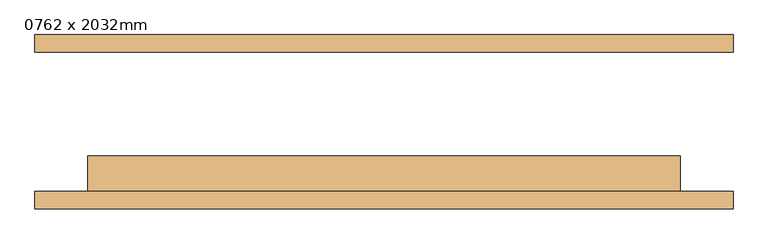
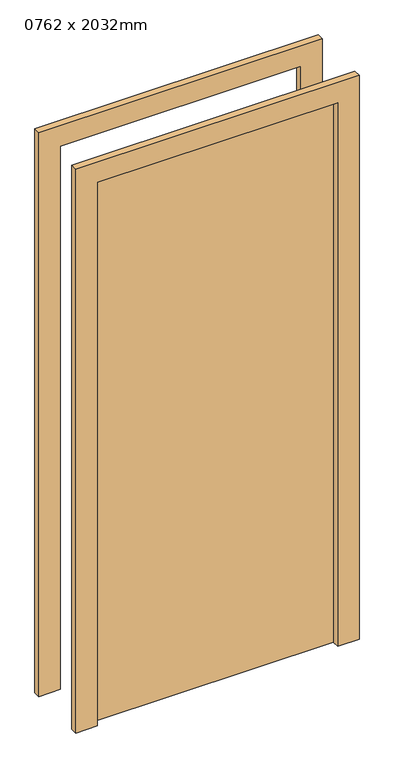
"""IFC4 building model written with IfcOpenShell, lengths in millimetres: door geometry, 0762 x 2032mm."""

import ifcopenshell
import ifcopenshell.guid

model = None  # the IFC model being written
_history = None  # IfcOwnerHistory: only IFC2X3 demands one
_inside = {}  # id of a spatial element -> (the spatial element, [elements in it])
_under = {}  # id of a project, library or spatial element -> (it, [spatial elements below it])
_declared = {}  # id of a project -> (the project, [libraries it declares])
_typed = {}  # id of a type object -> (the type object, [elements of that type])
_made_of = {}  # id of a material, layer set ... -> (it, [elements and type objects made of it])


def new_model(schema):
    """Start an empty IFC model of exactly this schema.

    Asked for "IFC4X3", IfcOpenShell would pick the latest addendum, in which some entities
    have other attributes; the version numbers below select the first issue.
    IFC2X3 requires an IfcOwnerHistory on every rooted entity: one is made here for all.
    """
    global model, _history
    if schema == "IFC4X3":
        model = ifcopenshell.file(schema_version=(4, 3, 0, 0))
    else:
        model = ifcopenshell.file(schema=schema)
    _inside.clear()
    _under.clear()
    _declared.clear()
    _typed.clear()
    _made_of.clear()
    _history = None
    if model.schema == "IFC2X3":
        org = make("IfcOrganization", Name="unknown")
        user = make(
            "IfcPersonAndOrganization",
            ThePerson=make("IfcPerson", FamilyName="unknown"),
            TheOrganization=org,
        )
        app = make(
            "IfcApplication",
            ApplicationDeveloper=org,
            Version="unknown",
            ApplicationFullName="unknown",
            ApplicationIdentifier="unknown",
        )
        _history = make(
            "IfcOwnerHistory",
            OwningUser=user,
            OwningApplication=app,
            ChangeAction="ADDED",
            CreationDate=0,
        )
    return model


def make(cls, **values):
    """One entity of the class cls with the attributes given. An attribute that is None is left unset."""
    return model.create_entity(
        cls, **{name: value for name, value in values.items() if value is not None}
    )


def rooted(cls, **values):
    """An entity with a GlobalId (a new one), such as an element, a storey or a relation."""
    return make(cls, GlobalId=ifcopenshell.guid.new(), OwnerHistory=_history, **values)


def si_unit(unit_type, name, prefix=None):
    """IfcSIUnit, for example si_unit("LENGTHUNIT", "METRE", prefix="MILLI")."""
    return make("IfcSIUnit", UnitType=unit_type, Prefix=prefix, Name=name)


def assignment(units):
    """IfcUnitAssignment: the units of a project."""
    return None if units is None else make("IfcUnitAssignment", Units=units)


def point(xyz):
    """IfcCartesianPoint."""
    return None if xyz is None else make("IfcCartesianPoint", Coordinates=xyz)


def direction(xyz):
    """IfcDirection."""
    return None if xyz is None else make("IfcDirection", DirectionRatios=xyz)


def frame(location, z_axis=None, x_axis=None):
    """IfcAxis2Placement3D, a coordinate frame: its origin and axes. An axis left out is left unset."""
    return make(
        "IfcAxis2Placement3D",
        Location=point(location),
        Axis=direction(z_axis),
        RefDirection=direction(x_axis),
    )


def origin():
    """The frame at (0, 0, 0) with its axes left unset."""
    return frame((0.0, 0.0, 0.0))


def origin_with_axes():
    """The frame at (0, 0, 0) with the z axis (0, 0, 1) and the x axis (1, 0, 0) written out."""
    return frame((0.0, 0.0, 0.0), z_axis=(0.0, 0.0, 1.0), x_axis=(1.0, 0.0, 0.0))


def place(relative_to, where):
    """IfcLocalPlacement: puts the frame where relative to a parent placement (None: the world)."""
    return make(
        "IfcLocalPlacement", PlacementRelTo=relative_to, RelativePlacement=where
    )


def context(
    kind, dimensions, precision=None, world=None, true_north=None, identifier=None
):
    """IfcGeometricRepresentationContext, for example the 3D "Model" context."""
    return make(
        "IfcGeometricRepresentationContext",
        ContextIdentifier=identifier,
        ContextType=kind,
        CoordinateSpaceDimension=dimensions,
        Precision=precision,
        WorldCoordinateSystem=world,
        TrueNorth=true_north,
    )


def project(units=None, contexts=None):
    """IfcProject with its units and contexts."""
    return rooted(
        "IfcProject",
        Name="project",
        RepresentationContexts=contexts,
        UnitsInContext=assignment(units),
    )


def spatial(cls, under=None, at=None, **own):
    """A site, building, storey or space (cls), placed at a placement, below another one or the project."""
    s = rooted(cls, ObjectPlacement=at, **own)
    if under is not None:
        _under.setdefault(under.id(), (under, []))[1].append(s)
    return s


def polyline(points):
    """IfcPolyline through the points."""
    return make("IfcPolyline", Points=[point(p) for p in points])


def outline(outer, holes=None, kind="AREA"):
    """IfcArbitraryClosedProfileDef: a profile drawn as a closed curve; with holes, ...WithVoids."""
    if holes is None:
        return make("IfcArbitraryClosedProfileDef", ProfileType=kind, OuterCurve=outer)
    return make(
        "IfcArbitraryProfileDefWithVoids",
        ProfileType=kind,
        OuterCurve=outer,
        InnerCurves=holes,
    )


def extrude(swept, where, along, depth):
    """IfcExtrudedAreaSolid: the profile swept, set in the frame where, extruded along a direction by depth."""
    return make(
        "IfcExtrudedAreaSolid",
        SweptArea=swept,
        Position=where,
        ExtrudedDirection=direction(along),
        Depth=depth,
    )


def shape(context_of_items, identifier, shape_type, items):
    """IfcShapeRepresentation: the items that make up one representation, for example the "Body"."""
    return make(
        "IfcShapeRepresentation",
        ContextOfItems=context_of_items,
        RepresentationIdentifier=identifier,
        RepresentationType=shape_type,
        Items=items,
    )


def source(mapping_origin, context_of_items, identifier, shape_type, items):
    """IfcRepresentationMap: a shape defined once, which mapped items show again and again."""
    return make(
        "IfcRepresentationMap",
        MappingOrigin=mapping_origin,
        MappedRepresentation=shape(context_of_items, identifier, shape_type, items),
    )


def transform(
    local_origin,
    x_axis=None,
    y_axis=None,
    z_axis=None,
    scale=None,
    scale2=None,
    scale3=None,
    uniform=True,
):
    """IfcCartesianTransformationOperator3D, or its non-uniform kind. x_axis, y_axis, z_axis: its Axis1, 2, 3."""
    if uniform:
        return make(
            "IfcCartesianTransformationOperator3D",
            Axis1=direction(x_axis),
            Axis2=direction(y_axis),
            LocalOrigin=point(local_origin),
            Scale=scale,
            Axis3=direction(z_axis),
        )
    return make(
        "IfcCartesianTransformationOperator3DnonUniform",
        Axis1=direction(x_axis),
        Axis2=direction(y_axis),
        LocalOrigin=point(local_origin),
        Scale=scale,
        Axis3=direction(z_axis),
        Scale2=scale2,
        Scale3=scale3,
    )


def mapped(mapping_source, mapping_target):
    """IfcMappedItem: shows the shape of a source again, moved by a transform."""
    return make(
        "IfcMappedItem", MappingSource=mapping_source, MappingTarget=mapping_target
    )


def made_of(thing, what):
    """Note that an element or type object is made of a material, layer set ...; save() writes the relation."""
    if what is not None:
        _made_of.setdefault(what.id(), (what, []))[1].append(thing)
    return thing


def element(
    cls,
    number,
    at=None,
    inside=None,
    cuts=None,
    type_object=None,
    material=None,
    context=None,
    identifier="Body",
    shape_type=None,
    held_by="IfcProductDefinitionShape",
    body=None,
    shapes=None,
    **own,
):
    """One element of the class cls, such as IfcWall. Its Tag is "e" and its number.

    at: its placement. inside: the storey or other place that contains it. cuts: it is an
    opening in that element (IfcRelVoidsElement). A single representation is given by context,
    identifier, shape_type and body (its items); several are given by shapes. held_by: the class
    of the entity that holds the representations. save() writes the other relations.
    """
    e = rooted(cls, Tag="e%d" % number, ObjectPlacement=at, **own)
    if body is not None:
        shapes = [shape(context, identifier, shape_type, body)]
    if shapes is not None:
        e.Representation = make(held_by, Representations=shapes)
    if inside is not None:
        _inside.setdefault(inside.id(), (inside, []))[1].append(e)
    if cuts is not None:
        rooted(
            "IfcRelVoidsElement", RelatingBuildingElement=cuts, RelatedOpeningElement=e
        )
    if type_object is not None:
        _typed.setdefault(type_object.id(), (type_object, []))[1].append(e)
    return made_of(e, material)


def aggregate(whole, parts):
    """IfcRelAggregates: a whole, such as a stair, and the parts it consists of."""
    return rooted("IfcRelAggregates", RelatingObject=whole, RelatedObjects=parts)


def save(model, path):
    """Write the relations noted so far, then the file.

    IfcRelAggregates (storeys below a building ...), IfcRelContainedInSpatialStructure (elements
    in a storey), IfcRelDefinesByType, IfcRelAssociatesMaterial and IfcRelDeclares: one each for
    every whole, place, type object, material and project.
    """
    for whole, parts in _under.values():
        aggregate(whole, parts)
    for where, things in _inside.values():
        rooted(
            "IfcRelContainedInSpatialStructure",
            RelatedElements=things,
            RelatingStructure=where,
        )
    for kind, things in _typed.values():
        rooted("IfcRelDefinesByType", RelatedObjects=things, RelatingType=kind)
    for what, things in _made_of.values():
        rooted("IfcRelAssociatesMaterial", RelatedObjects=things, RelatingMaterial=what)
    for by, libraries in _declared.values():
        rooted("IfcRelDeclares", RelatingContext=by, RelatedDefinitions=libraries)
    model.write(path)


def door_0762_x_2032mm_7004f4fd(model_context):
    return source(origin(), model_context, "Body", "SweptSolid", [
        extrude(outline(polyline([(2108.0, -501.0), (0.0, -501.0), (0.0, -425.0), (2032.0, -425.0), (2032.0, 425.0), (0.0, 425.0), (0.0, 501.0), (2108.0, 501.0), (2108.0, -501.0)])), frame((0.0, -125.0, 0.0), z_axis=(0.0, 1.0, 0.0), x_axis=(0.0, 0.0, 1.0)), (0.0, 0.0, 1.0), 25.0),
        extrude(outline(polyline([(2108.0, 501.0), (2108.0, -501.0), (0.0, -501.0), (0.0, -425.0), (2032.0, -425.0), (2032.0, 425.0), (0.0, 425.0), (0.0, 501.0), (2108.0, 501.0)])), frame((0.0, 100.0, 0.0), z_axis=(0.0, 1.0, 0.0), x_axis=(0.0, 0.0, 1.0)), (0.0, 0.0, 1.0), 25.0),
        extrude(outline(polyline([(425.0, -49.0), (425.0, -100.0), (-425.0, -100.0), (-425.0, -49.0), (425.0, -49.0)])), origin_with_axes(), (0.0, 0.0, 1.0), 2032.0),
    ])


if __name__ == "__main__":
    model = new_model("IFC4")
    model_context = context("Model", 3, world=origin())
    ifc_project = project(units=[si_unit("LENGTHUNIT", "METRE", prefix="MILLI")], contexts=[model_context])
    site = spatial("IfcSite", under=ifc_project)
    building = spatial("IfcBuilding", under=site)
    placement = place(None, origin())
    door_0762_x_2032mm_shape = door_0762_x_2032mm_7004f4fd(model_context)
    element("IfcDoor", 1, ObjectType="0762 x 2032mm", at=placement, inside=building, context=model_context, shape_type="MappedRepresentation", body=[
        mapped(door_0762_x_2032mm_shape, transform((0.0, 0.0, 0.0), x_axis=(1.0, 0.0, 0.0), y_axis=(0.0, 1.0, 0.0), z_axis=(0.0, 0.0, 1.0))),
    ])
    save(model, "model.ifc")
